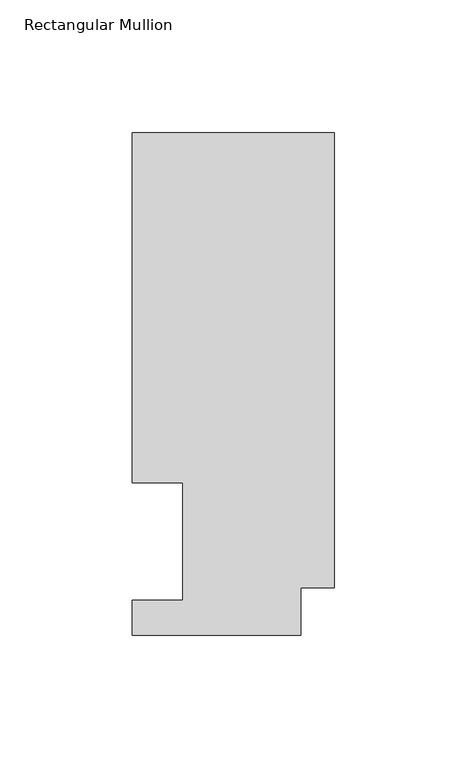
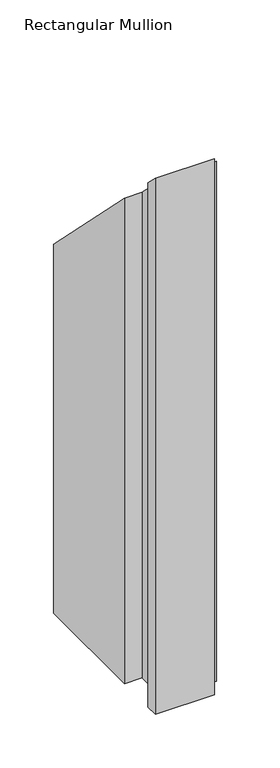
"""IFC4 building model written with IfcOpenShell, lengths in millimetres: member geometry, Rectangular Mullion."""

import ifcopenshell
import ifcopenshell.guid

model = None  # the IFC model being written
_history = None  # IfcOwnerHistory: only IFC2X3 demands one
_inside = {}  # id of a spatial element -> (the spatial element, [elements in it])
_under = {}  # id of a project, library or spatial element -> (it, [spatial elements below it])
_declared = {}  # id of a project -> (the project, [libraries it declares])
_typed = {}  # id of a type object -> (the type object, [elements of that type])
_made_of = {}  # id of a material, layer set ... -> (it, [elements and type objects made of it])


def new_model(schema):
    """Start an empty IFC model of exactly this schema.

    Asked for "IFC4X3", IfcOpenShell would pick the latest addendum, in which some entities
    have other attributes; the version numbers below select the first issue.
    IFC2X3 requires an IfcOwnerHistory on every rooted entity: one is made here for all.
    """
    global model, _history
    if schema == "IFC4X3":
        model = ifcopenshell.file(schema_version=(4, 3, 0, 0))
    else:
        model = ifcopenshell.file(schema=schema)
    _inside.clear()
    _under.clear()
    _declared.clear()
    _typed.clear()
    _made_of.clear()
    _history = None
    if model.schema == "IFC2X3":
        org = make("IfcOrganization", Name="unknown")
        user = make(
            "IfcPersonAndOrganization",
            ThePerson=make("IfcPerson", FamilyName="unknown"),
            TheOrganization=org,
        )
        app = make(
            "IfcApplication",
            ApplicationDeveloper=org,
            Version="unknown",
            ApplicationFullName="unknown",
            ApplicationIdentifier="unknown",
        )
        _history = make(
            "IfcOwnerHistory",
            OwningUser=user,
            OwningApplication=app,
            ChangeAction="ADDED",
            CreationDate=0,
        )
    return model


def make(cls, **values):
    """One entity of the class cls with the attributes given. An attribute that is None is left unset."""
    return model.create_entity(
        cls, **{name: value for name, value in values.items() if value is not None}
    )


def rooted(cls, **values):
    """An entity with a GlobalId (a new one), such as an element, a storey or a relation."""
    return make(cls, GlobalId=ifcopenshell.guid.new(), OwnerHistory=_history, **values)


def si_unit(unit_type, name, prefix=None):
    """IfcSIUnit, for example si_unit("LENGTHUNIT", "METRE", prefix="MILLI")."""
    return make("IfcSIUnit", UnitType=unit_type, Prefix=prefix, Name=name)


def assignment(units):
    """IfcUnitAssignment: the units of a project."""
    return None if units is None else make("IfcUnitAssignment", Units=units)


def point(xyz):
    """IfcCartesianPoint."""
    return None if xyz is None else make("IfcCartesianPoint", Coordinates=xyz)


def direction(xyz):
    """IfcDirection."""
    return None if xyz is None else make("IfcDirection", DirectionRatios=xyz)


def frame(location, z_axis=None, x_axis=None):
    """IfcAxis2Placement3D, a coordinate frame: its origin and axes. An axis left out is left unset."""
    return make(
        "IfcAxis2Placement3D",
        Location=point(location),
        Axis=direction(z_axis),
        RefDirection=direction(x_axis),
    )


def origin():
    """The frame at (0, 0, 0) with its axes left unset."""
    return frame((0.0, 0.0, 0.0))


def place(relative_to, where):
    """IfcLocalPlacement: puts the frame where relative to a parent placement (None: the world)."""
    return make(
        "IfcLocalPlacement", PlacementRelTo=relative_to, RelativePlacement=where
    )


def context(
    kind, dimensions, precision=None, world=None, true_north=None, identifier=None
):
    """IfcGeometricRepresentationContext, for example the 3D "Model" context."""
    return make(
        "IfcGeometricRepresentationContext",
        ContextIdentifier=identifier,
        ContextType=kind,
        CoordinateSpaceDimension=dimensions,
        Precision=precision,
        WorldCoordinateSystem=world,
        TrueNorth=true_north,
    )


def project(units=None, contexts=None):
    """IfcProject with its units and contexts."""
    return rooted(
        "IfcProject",
        Name="project",
        RepresentationContexts=contexts,
        UnitsInContext=assignment(units),
    )


def spatial(cls, under=None, at=None, **own):
    """A site, building, storey or space (cls), placed at a placement, below another one or the project."""
    s = rooted(cls, ObjectPlacement=at, **own)
    if under is not None:
        _under.setdefault(under.id(), (under, []))[1].append(s)
    return s


def faces_of(points, faces, orient=None, outer=None):
    """IfcFace entities. A face is a list of loops; a loop is a list of indices into points, from 0.

    orient and outer hold one flag for each loop. By default every Orientation is true, the
    first loop of a face is its IfcFaceOuterBound and the others are IfcFaceBound.
    """
    made = []
    for i, loops in enumerate(faces):
        bounds = []
        for j, loop in enumerate(loops):
            is_outer = j == 0 if outer is None else outer[i][j]
            bounds.append(
                make(
                    "IfcFaceOuterBound" if is_outer else "IfcFaceBound",
                    Bound=make("IfcPolyLoop", Polygon=[points[k] for k in loop]),
                    Orientation=True if orient is None else orient[i][j],
                )
            )
        made.append(make("IfcFace", Bounds=bounds))
    return made


def faceted_brep(points, faces, orient=None, outer=None, voids=None):
    """IfcFacetedBrep: a solid bounded by flat faces; with voids (closed shells), ...WithVoids."""
    shared = [point(p) for p in points]
    hull = make("IfcClosedShell", CfsFaces=faces_of(shared, faces, orient, outer))
    if voids is None:
        return make("IfcFacetedBrep", Outer=hull)
    return make(
        "IfcFacetedBrepWithVoids",
        Outer=hull,
        Voids=[
            make(cls, CfsFaces=faces_of(shared, fs, o, b)) for cls, fs, o, b in voids
        ],
    )


def shape(context_of_items, identifier, shape_type, items):
    """IfcShapeRepresentation: the items that make up one representation, for example the "Body"."""
    return make(
        "IfcShapeRepresentation",
        ContextOfItems=context_of_items,
        RepresentationIdentifier=identifier,
        RepresentationType=shape_type,
        Items=items,
    )


def source(mapping_origin, context_of_items, identifier, shape_type, items):
    """IfcRepresentationMap: a shape defined once, which mapped items show again and again."""
    return make(
        "IfcRepresentationMap",
        MappingOrigin=mapping_origin,
        MappedRepresentation=shape(context_of_items, identifier, shape_type, items),
    )


def transform(
    local_origin,
    x_axis=None,
    y_axis=None,
    z_axis=None,
    scale=None,
    scale2=None,
    scale3=None,
    uniform=True,
):
    """IfcCartesianTransformationOperator3D, or its non-uniform kind. x_axis, y_axis, z_axis: its Axis1, 2, 3."""
    if uniform:
        return make(
            "IfcCartesianTransformationOperator3D",
            Axis1=direction(x_axis),
            Axis2=direction(y_axis),
            LocalOrigin=point(local_origin),
            Scale=scale,
            Axis3=direction(z_axis),
        )
    return make(
        "IfcCartesianTransformationOperator3DnonUniform",
        Axis1=direction(x_axis),
        Axis2=direction(y_axis),
        LocalOrigin=point(local_origin),
        Scale=scale,
        Axis3=direction(z_axis),
        Scale2=scale2,
        Scale3=scale3,
    )


def mapped(mapping_source, mapping_target):
    """IfcMappedItem: shows the shape of a source again, moved by a transform."""
    return make(
        "IfcMappedItem", MappingSource=mapping_source, MappingTarget=mapping_target
    )


def made_of(thing, what):
    """Note that an element or type object is made of a material, layer set ...; save() writes the relation."""
    if what is not None:
        _made_of.setdefault(what.id(), (what, []))[1].append(thing)
    return thing


def element(
    cls,
    number,
    at=None,
    inside=None,
    cuts=None,
    type_object=None,
    material=None,
    context=None,
    identifier="Body",
    shape_type=None,
    held_by="IfcProductDefinitionShape",
    body=None,
    shapes=None,
    **own,
):
    """One element of the class cls, such as IfcWall. Its Tag is "e" and its number.

    at: its placement. inside: the storey or other place that contains it. cuts: it is an
    opening in that element (IfcRelVoidsElement). A single representation is given by context,
    identifier, shape_type and body (its items); several are given by shapes. held_by: the class
    of the entity that holds the representations. save() writes the other relations.
    """
    e = rooted(cls, Tag="e%d" % number, ObjectPlacement=at, **own)
    if body is not None:
        shapes = [shape(context, identifier, shape_type, body)]
    if shapes is not None:
        e.Representation = make(held_by, Representations=shapes)
    if inside is not None:
        _inside.setdefault(inside.id(), (inside, []))[1].append(e)
    if cuts is not None:
        rooted(
            "IfcRelVoidsElement", RelatingBuildingElement=cuts, RelatedOpeningElement=e
        )
    if type_object is not None:
        _typed.setdefault(type_object.id(), (type_object, []))[1].append(e)
    return made_of(e, material)


def aggregate(whole, parts):
    """IfcRelAggregates: a whole, such as a stair, and the parts it consists of."""
    return rooted("IfcRelAggregates", RelatingObject=whole, RelatedObjects=parts)


def save(model, path):
    """Write the relations noted so far, then the file.

    IfcRelAggregates (storeys below a building ...), IfcRelContainedInSpatialStructure (elements
    in a storey), IfcRelDefinesByType, IfcRelAssociatesMaterial and IfcRelDeclares: one each for
    every whole, place, type object, material and project.
    """
    for whole, parts in _under.values():
        aggregate(whole, parts)
    for where, things in _inside.values():
        rooted(
            "IfcRelContainedInSpatialStructure",
            RelatedElements=things,
            RelatingStructure=where,
        )
    for kind, things in _typed.values():
        rooted("IfcRelDefinesByType", RelatedObjects=things, RelatingType=kind)
    for what, things in _made_of.values():
        rooted("IfcRelAssociatesMaterial", RelatedObjects=things, RelatingMaterial=what)
    for by, libraries in _declared.values():
        rooted("IfcRelDeclares", RelatingContext=by, RelatedDefinitions=libraries)
    model.write(path)


def rectangular_mullion_34baa07f(model_context):
    return source(origin(), model_context, "Body", "Brep", [
        faceted_brep([(-76.2, 189.8022938, -609.56825), (0.0, 189.8022938, -609.56825), (0.0, 17.9712938, -609.56825), (-12.7, 17.9712938, -609.56825), (-12.7, 0.0134938, -609.56825), (-76.2, 0.0134938, -609.56825), (-76.2, 13.1960938, -609.56825), (-57.15, 13.1960938, -609.56825), (-57.15, 57.6460937, -609.56825), (-76.2, 57.6460937, -609.56825), (-76.2, 57.6460937, -57.6460937), (-76.2, 189.8022938, -189.8022937), (-57.15, 57.6460937, -57.6460937), (-57.15, 13.1960938, -13.1960938), (-76.2, 13.1960938, -13.1960938), (-76.2, 0.0134938, -0.0134938), (-12.7, 0.0134938, -0.0134938), (-12.7, 17.9712938, -17.9712938), (0.0, 17.9712938, -17.9712938), (0.0, 189.8022938, -189.8022937)], [[[0, 1, 2, 3, 4, 5, 6, 7, 8, 9]], [[10, 11, 0, 9]], [[12, 10, 9, 8]], [[13, 12, 8, 7]], [[14, 13, 7, 6]], [[15, 14, 6, 5]], [[16, 15, 5, 4]], [[17, 16, 4, 3]], [[18, 17, 3, 2]], [[19, 18, 2, 1]], [[11, 19, 1, 0]], [[11, 10, 12, 13, 14, 15, 16, 17, 18, 19]]]),
    ])


if __name__ == "__main__":
    model = new_model("IFC4")
    model_context = context("Model", 3, world=origin())
    ifc_project = project(units=[si_unit("LENGTHUNIT", "METRE", prefix="MILLI")], contexts=[model_context])
    site = spatial("IfcSite", under=ifc_project)
    building = spatial("IfcBuilding", under=site)
    placement = place(None, origin())
    rectangular_mullion_shape = rectangular_mullion_34baa07f(model_context)
    element("IfcMember", 1, ObjectType="Rectangular Mullion", at=placement, inside=building, context=model_context, shape_type="MappedRepresentation", body=[
        mapped(rectangular_mullion_shape, transform((0.0, 0.0, 0.0), x_axis=(1.0, 0.0, 0.0), y_axis=(0.0, 1.0, 0.0), z_axis=(0.0, 0.0, 1.0))),
    ])
    save(model, "model.ifc")
